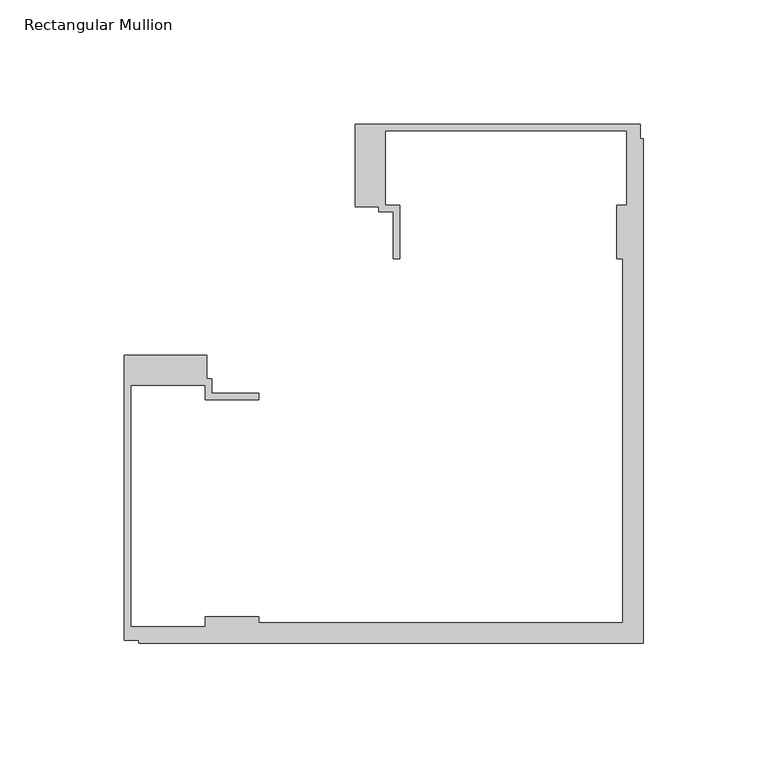
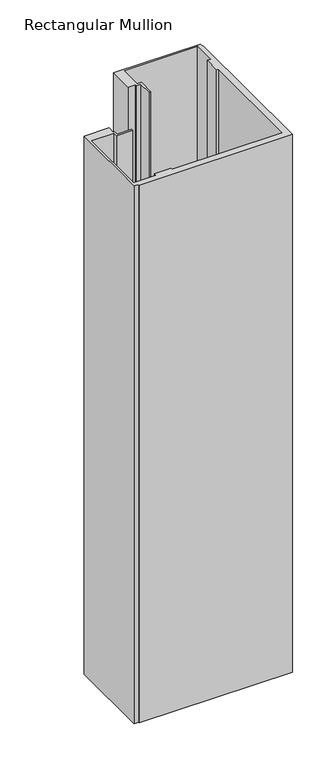
"""IFC4 building model written with IfcOpenShell, lengths in millimetres: member geometry, Rectangular Mullion."""

from ifc_helpers import new_model, si_unit, frame, origin, place, context, project, spatial, polyline, outline, extrude, source, transform, mapped, element, save


def rectangular_mullion_7115fab1(model_context):
    return source(origin(), model_context, "Body", "SweptSolid", [
        extrude(outline(polyline([(-175.4039085, -14.9961656), (-175.4039085, -24.4862839), (-173.4039085, -24.4862839), (-173.4039085, -30.2961656), (-154.4039085, -30.2961656), (-154.4039085, -32.7961656), (-175.9039085, -32.7961656), (-175.9039085, -26.9961656), (-205.9039085, -26.9961656), (-205.9039085, -123.9961596), (-175.9039085, -123.9961596), (-175.9039085, -119.9961596), (-154.4039085, -119.9961596), (-154.4039085, -122.4961596), (-8.2039451, -122.4961596), (-8.2039451, 23.7038038), (-10.7039451, 23.7038038), (-10.7039451, 45.308114), (-6.7039451, 45.308114), (-6.7039451, 75.2038038), (-103.703939, 75.2038038), (-103.703939, 45.2038038), (-97.903939, 45.2038038), (-97.903939, 23.7038038), (-100.403939, 23.7038038), (-100.403939, 42.7038038), (-106.203939, 42.7038038), (-106.203939, 44.7038038), (-115.703939, 44.7038038), (-115.703939, 77.7038038), (-1.2039451, 77.7038038), (-1.2039451, 71.9884533), (0.0, 71.9884533), (0.0, -130.7001047), (-202.7039347, -130.7001047), (-202.7039347, -129.4961596), (-208.4039085, -129.4961596), (-208.4039085, -14.9961656), (-175.4039085, -14.9961656)])), frame((0.0, 0.0, -751.0229426), z_axis=(0.0, 0.0, 1.0), x_axis=(1.0, 0.0, 0.0)), (0.0, 0.0, 1.0), 751.0229426),
    ])


if __name__ == "__main__":
    model = new_model("IFC4")
    model_context = context("Model", 3, world=origin())
    ifc_project = project(units=[si_unit("LENGTHUNIT", "METRE", prefix="MILLI")], contexts=[model_context])
    site = spatial("IfcSite", under=ifc_project)
    building = spatial("IfcBuilding", under=site)
    placement = place(None, origin())
    rectangular_mullion_shape = rectangular_mullion_7115fab1(model_context)
    element("IfcMember", 1, ObjectType="Rectangular Mullion", at=placement, inside=building, context=model_context, shape_type="MappedRepresentation", body=[
        mapped(rectangular_mullion_shape, transform((0.0, 0.0, 0.0), x_axis=(1.0, 0.0, 0.0), y_axis=(0.0, 1.0, 0.0), z_axis=(0.0, 0.0, 1.0))),
    ])
    save(model, "model.ifc")
